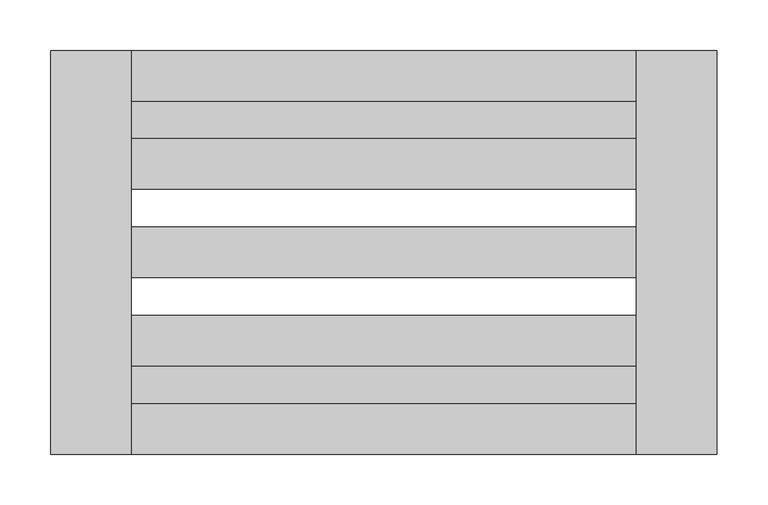
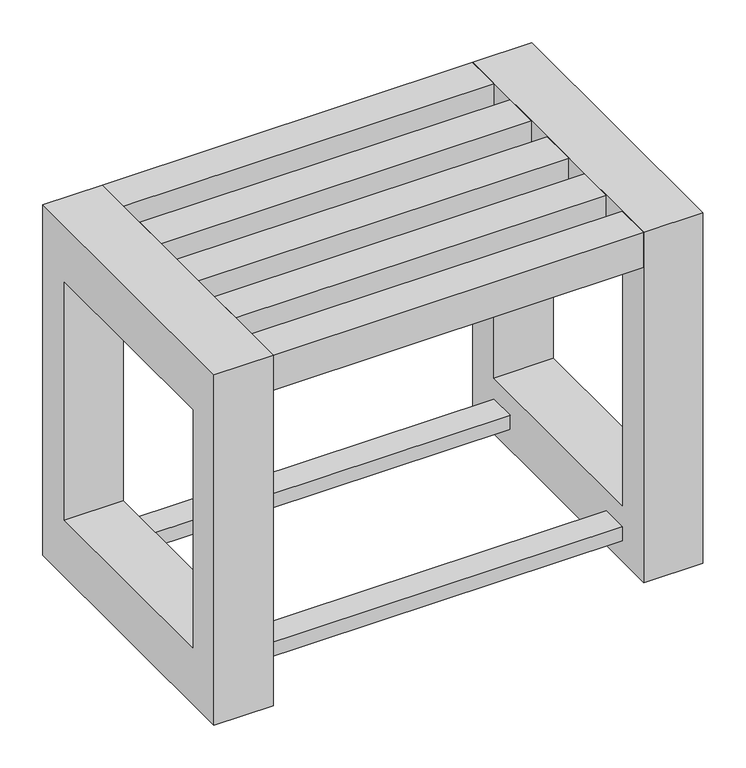
"""IFC4 building model written with IfcOpenShell, lengths in millimetres: furniture geometry."""

from ifc_helpers import new_model, si_unit, frame, origin, place, context, project, spatial, polyline, outline, extrude, source, transform, mapped, element, save


def furniture_27aad5ac(model_context):
    return source(origin(), model_context, "Body", "SweptSolid", [
        extrude(outline(polyline([(-959.95672, 1136.5928463), (-1459.95672, 1136.5928463), (-1459.95672, 1174.0928463), (-959.95672, 1174.0928463), (-959.95672, 1136.5928463)])), frame((0.0, 0.0, 30.0), z_axis=(0.0, 0.0, 1.0), x_axis=(1.0, 0.0, 0.0)), (0.0, 0.0, 1.0), 20.0),
        extrude(outline(polyline([(-959.95672, 874.0928463), (-1459.95672, 874.0928463), (-1459.95672, 911.5928463), (-959.95672, 911.5928463), (-959.95672, 874.0928463)])), frame((0.0, 0.0, 30.0), z_axis=(0.0, 0.0, 1.0), x_axis=(1.0, 0.0, 0.0)), (0.0, 0.0, 1.0), 20.0),
        extrude(outline(polyline([(824.0928463, 500.0), (1224.0928463, 500.0), (1224.0928463, 0.0), (824.0928463, 0.0), (824.0928463, 500.0)]), holes=[polyline([(874.0928463, 420.0), (874.0928463, 80.0), (1174.0928463, 80.0), (1174.0928463, 420.0), (874.0928463, 420.0)])]), frame((-1539.95672, 0.0, 0.0), z_axis=(1.0, 0.0, 0.0), x_axis=(0.0, 1.0, 0.0)), (0.0, 0.0, 1.0), 80.0),
        extrude(outline(polyline([(824.0928463, 500.0), (1224.0928463, 500.0), (1224.0928463, 0.0), (824.0928463, 0.0), (824.0928463, 500.0)]), holes=[polyline([(1174.0928463, 420.0), (874.0928463, 420.0), (874.0928463, 80.0), (1174.0928463, 80.0), (1174.0928463, 420.0)])]), frame((-959.95672, 0.0, 0.0), z_axis=(1.0, 0.0, 0.0), x_axis=(0.0, 1.0, 0.0)), (0.0, 0.0, 1.0), 80.0),
        extrude(outline(polyline([(-1459.95672, 824.0928463), (-1459.95672, 874.0928463), (-959.95672, 874.0928463), (-959.95672, 824.0928463), (-1459.95672, 824.0928463)])), frame((0.0, 0.0, 450.0), z_axis=(0.0, 0.0, 1.0), x_axis=(1.0, 0.0, 0.0)), (0.0, 0.0, 1.0), 50.0),
        extrude(outline(polyline([(-1459.95672, 911.5928463), (-1459.95672, 961.5928463), (-959.95672, 961.5928463), (-959.95672, 911.5928463), (-1459.95672, 911.5928463)])), frame((0.0, 0.0, 450.0), z_axis=(0.0, 0.0, 1.0), x_axis=(1.0, 0.0, 0.0)), (0.0, 0.0, 1.0), 50.0),
        extrude(outline(polyline([(-1459.95672, 999.0928463), (-1459.95672, 1049.0928463), (-959.95672, 1049.0928463), (-959.95672, 999.0928463), (-1459.95672, 999.0928463)])), frame((0.0, 0.0, 450.0), z_axis=(0.0, 0.0, 1.0), x_axis=(1.0, 0.0, 0.0)), (0.0, 0.0, 1.0), 50.0),
        extrude(outline(polyline([(-959.95672, 1136.5928463), (-959.95672, 1086.5928463), (-1459.95672, 1086.5928463), (-1459.95672, 1136.5928463), (-959.95672, 1136.5928463)])), frame((0.0, 0.0, 450.0), z_axis=(0.0, 0.0, 1.0), x_axis=(1.0, 0.0, 0.0)), (0.0, 0.0, 1.0), 50.0),
        extrude(outline(polyline([(-1459.95672, 1174.0928463), (-1459.95672, 1224.0928463), (-959.95672, 1224.0928463), (-959.95672, 1174.0928463), (-1459.95672, 1174.0928463)])), frame((0.0, 0.0, 450.0), z_axis=(0.0, 0.0, 1.0), x_axis=(1.0, 0.0, 0.0)), (0.0, 0.0, 1.0), 50.0),
    ])


if __name__ == "__main__":
    model = new_model("IFC4")
    model_context = context("Model", 3, world=origin())
    ifc_project = project(units=[si_unit("LENGTHUNIT", "METRE", prefix="MILLI")], contexts=[model_context])
    site = spatial("IfcSite", under=ifc_project)
    building = spatial("IfcBuilding", under=site)
    placement = place(None, origin())
    furniture_shape = furniture_27aad5ac(model_context)
    element("IfcFurniture", 1, at=placement, inside=building, context=model_context, shape_type="MappedRepresentation", body=[
        mapped(furniture_shape, transform((0.0, 0.0, 0.0), x_axis=(1.0, 0.0, 0.0), y_axis=(0.0, 1.0, 0.0), z_axis=(0.0, 0.0, 1.0))),
    ])
    save(model, "model.ifc")
